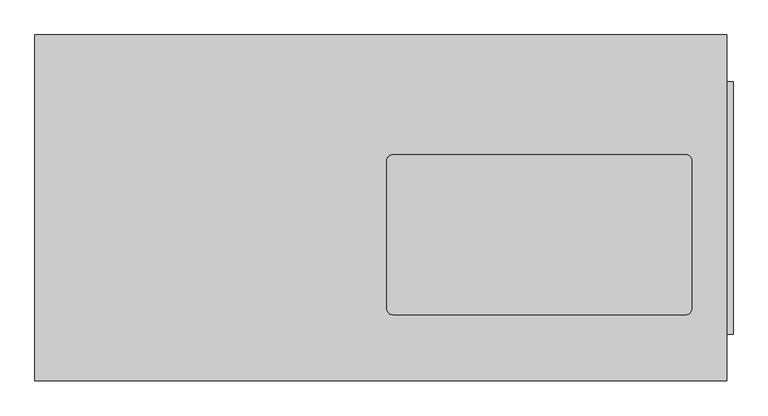
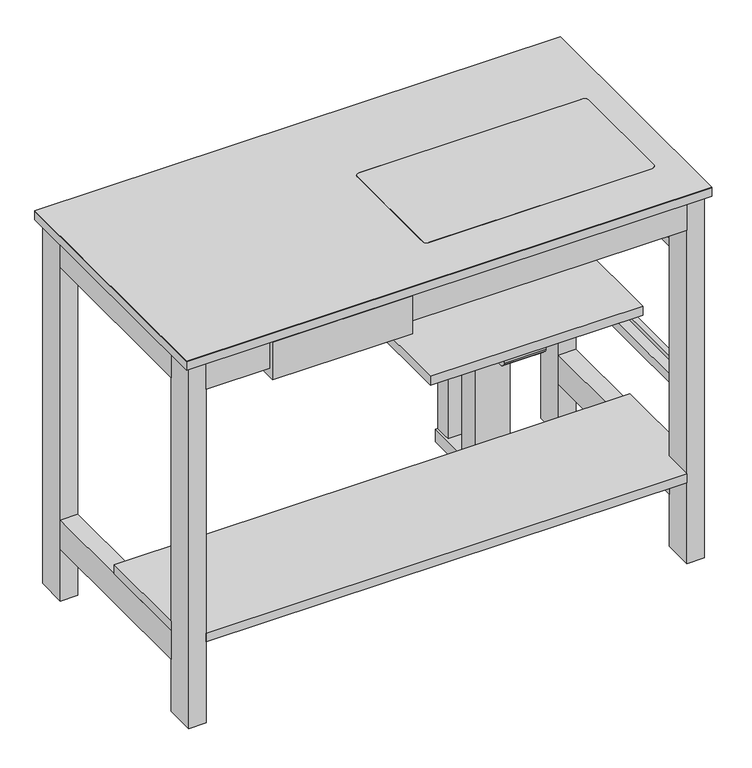
"""IFC4 building model written with IfcOpenShell, lengths in millimetres: furniture geometry."""

import ifcopenshell
import ifcopenshell.guid

model = None  # the IFC model being written
_history = None  # IfcOwnerHistory: only IFC2X3 demands one
_inside = {}  # id of a spatial element -> (the spatial element, [elements in it])
_under = {}  # id of a project, library or spatial element -> (it, [spatial elements below it])
_declared = {}  # id of a project -> (the project, [libraries it declares])
_typed = {}  # id of a type object -> (the type object, [elements of that type])
_made_of = {}  # id of a material, layer set ... -> (it, [elements and type objects made of it])


def new_model(schema):
    """Start an empty IFC model of exactly this schema.

    Asked for "IFC4X3", IfcOpenShell would pick the latest addendum, in which some entities
    have other attributes; the version numbers below select the first issue.
    IFC2X3 requires an IfcOwnerHistory on every rooted entity: one is made here for all.
    """
    global model, _history
    if schema == "IFC4X3":
        model = ifcopenshell.file(schema_version=(4, 3, 0, 0))
    else:
        model = ifcopenshell.file(schema=schema)
    _inside.clear()
    _under.clear()
    _declared.clear()
    _typed.clear()
    _made_of.clear()
    _history = None
    if model.schema == "IFC2X3":
        org = make("IfcOrganization", Name="unknown")
        user = make(
            "IfcPersonAndOrganization",
            ThePerson=make("IfcPerson", FamilyName="unknown"),
            TheOrganization=org,
        )
        app = make(
            "IfcApplication",
            ApplicationDeveloper=org,
            Version="unknown",
            ApplicationFullName="unknown",
            ApplicationIdentifier="unknown",
        )
        _history = make(
            "IfcOwnerHistory",
            OwningUser=user,
            OwningApplication=app,
            ChangeAction="ADDED",
            CreationDate=0,
        )
    return model


def make(cls, **values):
    """One entity of the class cls with the attributes given. An attribute that is None is left unset."""
    return model.create_entity(
        cls, **{name: value for name, value in values.items() if value is not None}
    )


def rooted(cls, **values):
    """An entity with a GlobalId (a new one), such as an element, a storey or a relation."""
    return make(cls, GlobalId=ifcopenshell.guid.new(), OwnerHistory=_history, **values)


def si_unit(unit_type, name, prefix=None):
    """IfcSIUnit, for example si_unit("LENGTHUNIT", "METRE", prefix="MILLI")."""
    return make("IfcSIUnit", UnitType=unit_type, Prefix=prefix, Name=name)


def assignment(units):
    """IfcUnitAssignment: the units of a project."""
    return None if units is None else make("IfcUnitAssignment", Units=units)


def point(xyz):
    """IfcCartesianPoint."""
    return None if xyz is None else make("IfcCartesianPoint", Coordinates=xyz)


def direction(xyz):
    """IfcDirection."""
    return None if xyz is None else make("IfcDirection", DirectionRatios=xyz)


def frame(location, z_axis=None, x_axis=None):
    """IfcAxis2Placement3D, a coordinate frame: its origin and axes. An axis left out is left unset."""
    return make(
        "IfcAxis2Placement3D",
        Location=point(location),
        Axis=direction(z_axis),
        RefDirection=direction(x_axis),
    )


def frame_2d(location, x_axis=None):
    """IfcAxis2Placement2D, a coordinate frame in the plane: its origin and x axis."""
    return make(
        "IfcAxis2Placement2D", Location=point(location), RefDirection=direction(x_axis)
    )


def origin():
    """The frame at (0, 0, 0) with its axes left unset."""
    return frame((0.0, 0.0, 0.0))


def origin_with_axes():
    """The frame at (0, 0, 0) with the z axis (0, 0, 1) and the x axis (1, 0, 0) written out."""
    return frame((0.0, 0.0, 0.0), z_axis=(0.0, 0.0, 1.0), x_axis=(1.0, 0.0, 0.0))


def place(relative_to, where):
    """IfcLocalPlacement: puts the frame where relative to a parent placement (None: the world)."""
    return make(
        "IfcLocalPlacement", PlacementRelTo=relative_to, RelativePlacement=where
    )


def context(
    kind, dimensions, precision=None, world=None, true_north=None, identifier=None
):
    """IfcGeometricRepresentationContext, for example the 3D "Model" context."""
    return make(
        "IfcGeometricRepresentationContext",
        ContextIdentifier=identifier,
        ContextType=kind,
        CoordinateSpaceDimension=dimensions,
        Precision=precision,
        WorldCoordinateSystem=world,
        TrueNorth=true_north,
    )


def project(units=None, contexts=None):
    """IfcProject with its units and contexts."""
    return rooted(
        "IfcProject",
        Name="project",
        RepresentationContexts=contexts,
        UnitsInContext=assignment(units),
    )


def spatial(cls, under=None, at=None, **own):
    """A site, building, storey or space (cls), placed at a placement, below another one or the project."""
    s = rooted(cls, ObjectPlacement=at, **own)
    if under is not None:
        _under.setdefault(under.id(), (under, []))[1].append(s)
    return s


def polyline(points):
    """IfcPolyline through the points."""
    return make("IfcPolyline", Points=[point(p) for p in points])


def circle_curve(where, radius):
    """IfcCircle in the frame where."""
    return make("IfcCircle", Position=where, Radius=radius)


def ellipse_curve(where, semi_axis1, semi_axis2):
    """IfcEllipse in the frame where."""
    return make(
        "IfcEllipse", Position=where, SemiAxis1=semi_axis1, SemiAxis2=semi_axis2
    )


def trimmed(basis, trim1, trim2, sense, master):
    """IfcTrimmedCurve: the piece of a basis curve between two trims."""
    return make(
        "IfcTrimmedCurve",
        BasisCurve=basis,
        Trim1=trim1,
        Trim2=trim2,
        SenseAgreement=sense,
        MasterRepresentation=master,
    )


def segment(curve, same_sense, transition):
    """IfcCompositeCurveSegment."""
    return make(
        "IfcCompositeCurveSegment",
        Transition=transition,
        SameSense=same_sense,
        ParentCurve=curve,
    )


def composite_curve(segments, self_intersect=None):
    """IfcCompositeCurve: segments joined end to end."""
    return make("IfcCompositeCurve", Segments=segments, SelfIntersect=self_intersect)


def outline(outer, holes=None, kind="AREA"):
    """IfcArbitraryClosedProfileDef: a profile drawn as a closed curve; with holes, ...WithVoids."""
    if holes is None:
        return make("IfcArbitraryClosedProfileDef", ProfileType=kind, OuterCurve=outer)
    return make(
        "IfcArbitraryProfileDefWithVoids",
        ProfileType=kind,
        OuterCurve=outer,
        InnerCurves=holes,
    )


def extrude(swept, where, along, depth):
    """IfcExtrudedAreaSolid: the profile swept, set in the frame where, extruded along a direction by depth."""
    return make(
        "IfcExtrudedAreaSolid",
        SweptArea=swept,
        Position=where,
        ExtrudedDirection=direction(along),
        Depth=depth,
    )


def shape(context_of_items, identifier, shape_type, items):
    """IfcShapeRepresentation: the items that make up one representation, for example the "Body"."""
    return make(
        "IfcShapeRepresentation",
        ContextOfItems=context_of_items,
        RepresentationIdentifier=identifier,
        RepresentationType=shape_type,
        Items=items,
    )


def source(mapping_origin, context_of_items, identifier, shape_type, items):
    """IfcRepresentationMap: a shape defined once, which mapped items show again and again."""
    return make(
        "IfcRepresentationMap",
        MappingOrigin=mapping_origin,
        MappedRepresentation=shape(context_of_items, identifier, shape_type, items),
    )


def transform(
    local_origin,
    x_axis=None,
    y_axis=None,
    z_axis=None,
    scale=None,
    scale2=None,
    scale3=None,
    uniform=True,
):
    """IfcCartesianTransformationOperator3D, or its non-uniform kind. x_axis, y_axis, z_axis: its Axis1, 2, 3."""
    if uniform:
        return make(
            "IfcCartesianTransformationOperator3D",
            Axis1=direction(x_axis),
            Axis2=direction(y_axis),
            LocalOrigin=point(local_origin),
            Scale=scale,
            Axis3=direction(z_axis),
        )
    return make(
        "IfcCartesianTransformationOperator3DnonUniform",
        Axis1=direction(x_axis),
        Axis2=direction(y_axis),
        LocalOrigin=point(local_origin),
        Scale=scale,
        Axis3=direction(z_axis),
        Scale2=scale2,
        Scale3=scale3,
    )


def mapped(mapping_source, mapping_target):
    """IfcMappedItem: shows the shape of a source again, moved by a transform."""
    return make(
        "IfcMappedItem", MappingSource=mapping_source, MappingTarget=mapping_target
    )


def made_of(thing, what):
    """Note that an element or type object is made of a material, layer set ...; save() writes the relation."""
    if what is not None:
        _made_of.setdefault(what.id(), (what, []))[1].append(thing)
    return thing


def element(
    cls,
    number,
    at=None,
    inside=None,
    cuts=None,
    type_object=None,
    material=None,
    context=None,
    identifier="Body",
    shape_type=None,
    held_by="IfcProductDefinitionShape",
    body=None,
    shapes=None,
    **own,
):
    """One element of the class cls, such as IfcWall. Its Tag is "e" and its number.

    at: its placement. inside: the storey or other place that contains it. cuts: it is an
    opening in that element (IfcRelVoidsElement). A single representation is given by context,
    identifier, shape_type and body (its items); several are given by shapes. held_by: the class
    of the entity that holds the representations. save() writes the other relations.
    """
    e = rooted(cls, Tag="e%d" % number, ObjectPlacement=at, **own)
    if body is not None:
        shapes = [shape(context, identifier, shape_type, body)]
    if shapes is not None:
        e.Representation = make(held_by, Representations=shapes)
    if inside is not None:
        _inside.setdefault(inside.id(), (inside, []))[1].append(e)
    if cuts is not None:
        rooted(
            "IfcRelVoidsElement", RelatingBuildingElement=cuts, RelatedOpeningElement=e
        )
    if type_object is not None:
        _typed.setdefault(type_object.id(), (type_object, []))[1].append(e)
    return made_of(e, material)


def aggregate(whole, parts):
    """IfcRelAggregates: a whole, such as a stair, and the parts it consists of."""
    return rooted("IfcRelAggregates", RelatingObject=whole, RelatedObjects=parts)


def save(model, path):
    """Write the relations noted so far, then the file.

    IfcRelAggregates (storeys below a building ...), IfcRelContainedInSpatialStructure (elements
    in a storey), IfcRelDefinesByType, IfcRelAssociatesMaterial and IfcRelDeclares: one each for
    every whole, place, type object, material and project.
    """
    for whole, parts in _under.values():
        aggregate(whole, parts)
    for where, things in _inside.values():
        rooted(
            "IfcRelContainedInSpatialStructure",
            RelatedElements=things,
            RelatingStructure=where,
        )
    for kind, things in _typed.values():
        rooted("IfcRelDefinesByType", RelatedObjects=things, RelatingType=kind)
    for what, things in _made_of.values():
        rooted("IfcRelAssociatesMaterial", RelatedObjects=things, RelatingMaterial=what)
    for by, libraries in _declared.values():
        rooted("IfcRelDeclares", RelatingContext=by, RelatedDefinitions=libraries)
    model.write(path)


def plane_surface(at):
    """IfcPlane: the flat surface through the origin of the frame at, square to its z axis."""
    return make("IfcPlane", Position=at)


def cylinder_surface(at, radius):
    """IfcCylindricalSurface: all points at the distance radius from the z axis of the frame at."""
    return make("IfcCylindricalSurface", Position=at, Radius=radius)


def revolved_surface(curve, axis_point, axis_direction):
    """IfcSurfaceOfRevolution: the curve turned about the line through axis_point along axis_direction."""
    return make(
        "IfcSurfaceOfRevolution",
        SweptCurve=make("IfcArbitraryOpenProfileDef", ProfileType="CURVE", Curve=curve),
        AxisPosition=make("IfcAxis1Placement", Location=point(axis_point), Axis=direction(axis_direction)),
    )


def advanced_brep(points, edges, surfaces, faces):
    """IfcAdvancedBrep: a solid bounded by faces that lie on surfaces and meet in shared edges.

    An edge is (start, end): straight between two places in points (the first is 0);
    or (start, end, curve); or (start, end, curve, False) where it runs against its curve.
    A face is (place in surfaces, loops), or (place, loops, False) where it looks against
    its surface's normal. A loop lists edges by number (the first is 1), with a minus sign
    where the edge is run from its end to its start. The first loop is the outer one.
    """
    corners = [point(p) for p in points]
    vertices = [make("IfcVertexPoint", VertexGeometry=c) for c in corners]
    made = []
    for start, end, *more in edges:
        made.append(
            make(
                "IfcEdgeCurve",
                EdgeStart=vertices[start],
                EdgeEnd=vertices[end],
                EdgeGeometry=more[0] if more else make("IfcPolyline", Points=[corners[start], corners[end]]),
                SameSense=more[1] if len(more) > 1 else True,
            )
        )
    hull = []
    for where, loops, *sense in faces:
        bounds = []
        for j, loop in enumerate(loops):
            ring = [make("IfcOrientedEdge", EdgeElement=made[abs(k) - 1], Orientation=k > 0) for k in loop]
            bounds.append(
                make(
                    "IfcFaceOuterBound" if j == 0 else "IfcFaceBound",
                    Bound=make("IfcEdgeLoop", EdgeList=ring),
                    Orientation=True,
                )
            )
        hull.append(make("IfcAdvancedFace", Bounds=bounds, FaceSurface=surfaces[where], SameSense=sense[0] if sense else True))
    return make("IfcAdvancedBrep", Outer=make("IfcClosedShell", CfsFaces=hull))


def furniture_29c875fc(model_context):
    return source(origin(), model_context, "Body", "SolidModel", [
        extrude(outline(composite_curve([segment(polyline([(20.5, 92.0), (529.5, 92.0)]), True, "CONTINUOUS"), segment(trimmed(circle_curve(frame_2d((529.5, 82.0)), 10.0), [point((529.5, 92.0))], [point((539.5, 82.0))], False, "CARTESIAN"), True, "CONTINUOUS"), segment(polyline([(539.5, 82.0), (539.5, -175.0)]), True, "CONTINUOUS"), segment(trimmed(circle_curve(frame_2d((529.5, -175.0)), 10.0), [point((539.5, -175.0))], [point((529.5, -185.0))], False, "CARTESIAN"), True, "CONTINUOUS"), segment(polyline([(529.5, -185.0), (20.5, -185.0)]), True, "CONTINUOUS"), segment(trimmed(circle_curve(frame_2d((20.5, -175.0)), 10.0), [point((20.5, -185.0))], [point((10.5, -175.0))], False, "CARTESIAN"), True, "CONTINUOUS"), segment(polyline([(10.5, -175.0), (10.5, 82.0)]), True, "CONTINUOUS"), segment(trimmed(circle_curve(frame_2d((20.5, 82.0)), 10.0), [point((10.5, 82.0))], [point((20.5, 92.0))], False, "CARTESIAN"), True, "CONTINUOUS")], self_intersect=False)), frame((0.0, 0.0, 896.0), z_axis=(0.0, 0.0, 1.0), x_axis=(1.0, 0.0, 0.0)), (0.0, 0.0, 1.0), 1.0),
        extrude(outline(polyline([(600.0, -300.0), (-600.0, -300.0), (-600.0, 300.0), (600.0, 300.0), (600.0, -300.0)]), holes=[composite_curve([segment(polyline([(529.5, 92.0), (20.5, 92.0)]), True, "CONTINUOUS"), segment(trimmed(circle_curve(frame_2d((20.5, 82.0)), 10.0), [point((20.5, 92.0))], [point((10.5, 82.0))], True, "CARTESIAN"), True, "CONTINUOUS"), segment(polyline([(10.5, 82.0), (10.5, -175.0)]), True, "CONTINUOUS"), segment(trimmed(circle_curve(frame_2d((20.5, -175.0)), 10.0), [point((10.5, -175.0))], [point((20.5, -185.0))], True, "CARTESIAN"), True, "CONTINUOUS"), segment(polyline([(20.5, -185.0), (529.5, -185.0)]), True, "CONTINUOUS"), segment(trimmed(circle_curve(frame_2d((529.5, -175.0)), 10.0), [point((529.5, -185.0))], [point((539.5, -175.0))], True, "CARTESIAN"), True, "CONTINUOUS"), segment(polyline([(539.5, -175.0), (539.5, 82.0)]), True, "CONTINUOUS"), segment(trimmed(circle_curve(frame_2d((529.5, 82.0)), 10.0), [point((539.5, 82.0))], [point((529.5, 92.0))], True, "CARTESIAN"), True, "CONTINUOUS")], self_intersect=False)]), frame((0.0, 0.0, 896.0), z_axis=(0.0, 0.0, 1.0), x_axis=(1.0, 0.0, 0.0)), (0.0, 0.0, 1.0), 1.0),
        extrude(outline(composite_curve([segment(trimmed(circle_curve(frame_2d((529.5, 82.0)), 10.0), [point((529.5, 92.0))], [point((539.5, 82.0))], False, "CARTESIAN"), True, "CONTINUOUS"), segment(polyline([(539.5, 82.0), (539.5, -175.0)]), True, "CONTINUOUS"), segment(trimmed(circle_curve(frame_2d((529.5, -175.0)), 10.0), [point((539.5, -175.0))], [point((529.5, -185.0))], False, "CARTESIAN"), True, "CONTINUOUS"), segment(polyline([(529.5, -185.0), (20.5, -185.0)]), True, "CONTINUOUS"), segment(trimmed(circle_curve(frame_2d((20.5, -175.0)), 10.0), [point((20.5, -185.0))], [point((10.5, -175.0))], False, "CARTESIAN"), True, "CONTINUOUS"), segment(polyline([(10.5, -175.0), (10.5, 82.0)]), True, "CONTINUOUS"), segment(trimmed(circle_curve(frame_2d((20.5, 82.0)), 10.0), [point((10.5, 82.0))], [point((20.5, 92.0))], False, "CARTESIAN"), True, "CONTINUOUS"), segment(polyline([(20.5, 92.0), (529.5, 92.0)]), True, "CONTINUOUS")], self_intersect=False)), frame((0.0, 0.0, 805.0), z_axis=(0.0, 0.0, 1.0), x_axis=(1.0, 0.0, 0.0)), (0.0, 0.0, 1.0), 91.0),
        advanced_brep(
        [(326.5, 68.0, 502.4901317), (326.5, 73.4901317, 497.0), (326.5, 155.0061088, 497.0), (326.5, 155.0061088, 505.0), (326.5, 73.0, 505.0), (326.5, 73.0, 535.0), (326.5, 68.0, 535.0), (231.5, 68.0, 502.4901317), (231.5, 68.0, 535.0), (231.5, 73.0, 535.0), (231.5, 73.0, 505.0), (231.5, 155.0061088, 505.0), (231.5, 155.0061088, 497.0), (231.5, 73.4901317, 497.0), (244.0, 155.0061088, 497.0), (244.0, 128.0, 497.0), (314.0, 128.0, 497.0), (314.0, 155.0061088, 497.0), (314.0, 155.0061088, 505.0), (314.0, 128.0, 505.0), (244.0, 128.0, 505.0), (244.0, 155.0061088, 505.0)],
        [
            (0, 1, circle_curve(frame((326.5, 73.4901317, 502.4901317), z_axis=(1.0, 0.0, 0.0), x_axis=(0.0, 1.0, 0.0)), 5.4901317)),
            (1, 2),
            (2, 3, circle_curve(frame((326.5, 155.0061088, 501.0), z_axis=(1.0, 0.0, 0.0), x_axis=(0.0, 1.0, 0.0)), 4.0)),
            (3, 4),
            (4, 5),
            (5, 6),
            (6, 0),
            (7, 8),
            (8, 9),
            (9, 10),
            (10, 11),
            (11, 12, circle_curve(frame((231.5, 155.0061088, 501.0), z_axis=(-1.0, 0.0, 0.0), x_axis=(0.0, 1.0, 0.0)), 4.0)),
            (12, 13),
            (13, 7, circle_curve(frame((231.5, 73.4901317, 502.4901317), z_axis=(-1.0, 0.0, 0.0), x_axis=(0.0, 1.0, 0.0)), 5.4901317)),
            (1, 13),
            (12, 14),
            (14, 15),
            (15, 16),
            (16, 17),
            (17, 2),
            (3, 18),
            (18, 19),
            (19, 20),
            (20, 21),
            (21, 11),
            (10, 4),
            (9, 5),
            (8, 6),
            (7, 0),
            (17, 18, circle_curve(frame((314.0, 155.0061088, 501.0), z_axis=(1.0, 0.0, 0.0), x_axis=(0.0, 1.0, 0.0)), 4.0)),
            (21, 14, circle_curve(frame((244.0, 155.0061088, 501.0), z_axis=(-1.0, 0.0, 0.0), x_axis=(0.0, 1.0, 0.0)), 4.0)),
            (16, 19),
            (20, 15),
        ],
        [
            plane_surface(frame((326.5, 78.9802634, 502.4901317), z_axis=(1.0, 0.0, 0.0), x_axis=(0.0, 0.0, 1.0))),
            plane_surface(frame((231.5, 78.9802634, 502.4901317), z_axis=(-1.0, 0.0, 0.0), x_axis=(0.0, 0.0, -1.0))),
            plane_surface(frame((326.5, 73.4901317, 497.0), z_axis=(0.0, 0.0, -1.0), x_axis=(-1.0, 0.0, 0.0))),
            plane_surface(frame((326.5, 155.0061088, 505.0), z_axis=(0.0, 0.0, 1.0), x_axis=(-1.0, 0.0, 0.0))),
            plane_surface(frame((326.5, 73.0, 505.0), z_axis=(0.0, 1.0, 0.0), x_axis=(-1.0, 0.0, 0.0))),
            plane_surface(frame((326.5, 73.0, 535.0), z_axis=(0.0, 0.0, 1.0), x_axis=(-1.0, 0.0, 0.0))),
            plane_surface(frame((326.5, 68.0, 535.0), z_axis=(0.0, -1.0, 0.0), x_axis=(-1.0, 0.0, 0.0))),
            cylinder_surface(frame((231.5, 73.4901317, 502.4901317), z_axis=(1.0, 0.0, 0.0), x_axis=(0.0, 1.0, 0.0)), 5.4901317),
            cylinder_surface(frame((231.5, 155.0061088, 501.0), z_axis=(1.0, 0.0, 0.0), x_axis=(0.0, 1.0, 0.0)), 4.0),
            plane_surface(frame((314.0, 128.0, 529.0), z_axis=(-1.0, 0.0, 0.0), x_axis=(0.0, 0.0, -1.0))),
            plane_surface(frame((244.0, 178.0, 529.0), z_axis=(1.0, 0.0, 0.0), x_axis=(0.0, 0.0, -1.0))),
            plane_surface(frame((244.0, 128.0, 529.0), z_axis=(0.0, 1.0, 0.0), x_axis=(0.0, 0.0, -1.0))),
        ],
        [
            (0, [[1, 2, 3, 4, 5, 6, 7]]),
            (1, [[8, 9, 10, 11, 12, 13, 14]]),
            (2, [[-2, 15, -13, 16, 17, 18, 19, 20]]),
            (3, [[-4, 21, 22, 23, 24, 25, -11, 26]]),
            (4, [[-5, -26, -10, 27]]),
            (5, [[-6, -27, -9, 28]]),
            (6, [[-7, -28, -8, 29]]),
            (7, [[-1, -29, -14, -15]]),
            (8, [[-3, -20, 30, -21]]),
            (8, [[-12, -25, 31, -16]]),
            (9, [[32, -22, -30, -19]]),
            (10, [[33, -17, -31, -24]]),
            (11, [[-32, -18, -33, -23]]),
        ],
    ),
        advanced_brep(
        [(326.5, -153.0, 535.0), (326.5, -153.0, 538.0934474), (326.5, 62.0, 538.0934474), (326.5, 62.0, 508.0), (326.5, -126.0, 508.0), (356.5, 62.0, 538.0934474), (356.5, -153.0, 538.0934474), (356.5, -153.0, 535.0), (356.5, 62.0, 535.0), (329.5, -126.0, 508.0), (329.5, -149.9553894, 531.9553894), (332.5446106, -153.0, 535.0), (329.5, 62.0, 508.0), (332.5446106, 62.0, 535.0), (329.5, 62.0, 531.9553894)],
        [
            (0, 1),
            (1, 2),
            (2, 3),
            (3, 4),
            (4, 0),
            (5, 6),
            (6, 7),
            (7, 8),
            (8, 5),
            (4, 9),
            (9, 10),
            (10, 11, ellipse_curve(frame((332.5446106, -149.9553894, 531.9553894), z_axis=(0.0, 0.7071067811865492, 0.7071067811865458), x_axis=(0.0, -0.7071067811865458, 0.7071067811865492)), 4.3057295, 3.0446106)),
            (11, 0),
            (3, 12),
            (12, 9),
            (2, 5),
            (8, 13),
            (13, 14, circle_curve(frame((332.5446106, 62.0, 531.9553894), z_axis=(0.0, -1.0, 0.0), x_axis=(1.0, 0.0, 0.0)), 3.0446106)),
            (14, 12),
            (1, 6),
            (11, 7),
            (14, 10),
            (11, 13),
        ],
        [
            plane_surface(frame((326.5, -153.0, 538.0934474), z_axis=(-1.0, 0.0, 0.0), x_axis=(0.0, 0.0, 1.0))),
            plane_surface(frame((356.5, -153.0, 538.0934474), z_axis=(1.0, 0.0, 0.0), x_axis=(0.0, 0.0, -1.0))),
            plane_surface(frame((326.5, -126.0, 508.0), z_axis=(0.0, -0.7071067811865492, -0.7071067811865458), x_axis=(1.0, 0.0, 0.0))),
            plane_surface(frame((326.5, 62.0, 508.0), z_axis=(0.0, 0.0, -1.0), x_axis=(1.0, 0.0, 0.0))),
            plane_surface(frame((326.5, 62.0, 538.0934474), z_axis=(0.0, 1.0, 0.0), x_axis=(1.0, 0.0, 0.0))),
            plane_surface(frame((326.5, -153.0, 538.0934474), z_axis=(0.0, 0.0, 1.0), x_axis=(1.0, 0.0, 0.0))),
            plane_surface(frame((326.5, -153.0, 535.0), z_axis=(0.0, -1.0, 0.0), x_axis=(1.0, 0.0, 0.0))),
            plane_surface(frame((329.5, -169.0, 531.9553894), z_axis=(1.0, 0.0, 0.0), x_axis=(0.0, 1.0, 0.0))),
            plane_surface(frame((364.2704822, -169.0, 535.0), z_axis=(0.0, 0.0, -1.0), x_axis=(0.0, 1.0, 0.0))),
            revolved_surface(polyline([(335.5892212, -153.0, 531.9553894), (335.5892212, 62.0, 531.9553894)]), (332.5446106, 0.0, 531.9553894), (0.0, -1.0, 0.0)),
        ],
        [
            (0, [[1, 2, 3, 4, 5]]),
            (1, [[6, 7, 8, 9]]),
            (2, [[-5, 10, 11, 12, 13]]),
            (3, [[-4, 14, 15, -10]]),
            (4, [[-3, 16, -9, 17, 18, 19, -14]]),
            (5, [[-2, 20, -6, -16]]),
            (6, [[-1, -13, 21, -7, -20]]),
            (7, [[22, -11, -15, -19]]),
            (8, [[23, -17, -8, -21]]),
            (9, [[-22, -18, -23, -12]]),
        ],
    ),
        advanced_brep(
        [(231.5, -153.0, 535.0), (231.5, -126.0, 508.0), (231.5, 62.0, 508.0), (231.5, 62.0, 538.0934474), (231.5, -153.0, 538.0934474), (201.5, -153.0, 535.0), (201.5, -153.0, 538.0934474), (201.5, 62.0, 538.0934474), (201.5, 62.0, 535.0), (225.4553894, -153.0, 535.0), (228.5, -149.9553894, 531.9553894), (228.5, -126.0, 508.0), (228.5, 62.0, 508.0), (228.5, 62.0, 531.9553894), (225.4553894, 62.0, 535.0)],
        [
            (0, 1),
            (1, 2),
            (2, 3),
            (3, 4),
            (4, 0),
            (5, 6),
            (6, 7),
            (7, 8),
            (8, 5),
            (0, 9),
            (9, 10, ellipse_curve(frame((225.4553894, -149.9553894, 531.9553894), z_axis=(0.0, 0.7071067811865492, 0.7071067811865458), x_axis=(0.0, -0.7071067811865458, 0.7071067811865492)), 4.3057295, 3.0446106)),
            (10, 11),
            (11, 1),
            (11, 12),
            (12, 2),
            (12, 13),
            (13, 14, circle_curve(frame((225.4553894, 62.0, 531.9553894), z_axis=(0.0, -1.0, 0.0), x_axis=(1.0, 0.0, 0.0)), 3.0446106)),
            (14, 8),
            (7, 3),
            (6, 4),
            (5, 9),
            (13, 10),
            (9, 14),
        ],
        [
            plane_surface(frame((231.5, -153.0, 535.0), z_axis=(1.0, 0.0, 0.0), x_axis=(0.0, 0.7071067811865458, -0.7071067811865492))),
            plane_surface(frame((201.5, -153.0, 535.0), z_axis=(-1.0, 0.0, 0.0), x_axis=(0.0, -0.7071067811865458, 0.7071067811865492))),
            plane_surface(frame((231.5, -153.0, 535.0), z_axis=(0.0, -0.7071067811865492, -0.7071067811865458), x_axis=(-1.0, 0.0, 0.0))),
            plane_surface(frame((231.5, -126.0, 508.0), z_axis=(0.0, 0.0, -1.0), x_axis=(-1.0, 0.0, 0.0))),
            plane_surface(frame((231.5, 62.0, 508.0), z_axis=(0.0, 1.0, 0.0), x_axis=(-1.0, 0.0, 0.0))),
            plane_surface(frame((231.5, 62.0, 538.0934474), z_axis=(0.0, 0.0, 1.0), x_axis=(-1.0, 0.0, 0.0))),
            plane_surface(frame((231.5, -153.0, 538.0934474), z_axis=(0.0, -1.0, 0.0), x_axis=(-1.0, 0.0, 0.0))),
            revolved_surface(polyline([(228.5, -153.0, 531.9553894), (228.5, 62.0, 531.9553894)]), (225.4553894, 103.0, 531.9553894), (0.0, -1.0, 0.0)),
            plane_surface(frame((225.4553894, -169.0, 535.0), z_axis=(0.0, 0.0, -1.0), x_axis=(0.0, 1.0, 0.0))),
            plane_surface(frame((228.5, -169.0, 500.3364459), z_axis=(-1.0, 0.0, 0.0), x_axis=(0.0, 1.0, 0.0))),
        ],
        [
            (0, [[1, 2, 3, 4, 5]]),
            (1, [[6, 7, 8, 9]]),
            (2, [[-1, 10, 11, 12, 13]]),
            (3, [[-2, -13, 14, 15]]),
            (4, [[-3, -15, 16, 17, 18, -8, 19]]),
            (5, [[-4, -19, -7, 20]]),
            (6, [[-5, -20, -6, 21, -10]]),
            (7, [[22, -11, 23, -17]]),
            (8, [[-23, -21, -9, -18]]),
            (9, [[-22, -16, -14, -12]]),
        ],
    ),
        advanced_brep(
        [(324.0, 64.0, 421.5697992), (324.0, 64.0, 428.4454513), (324.0, 64.0, 425.0076252), (324.0, 13.0, 421.5697992), (324.0, 13.0, 428.4454513), (324.0, 13.0, 425.0076252)],
        [
            (0, 1, circle_curve(frame((324.0, 64.0, 425.0076252), z_axis=(0.0, 1.0, 0.0), x_axis=(0.0, 0.0, 1.0)), 3.4378261)),
            (1, 2),
            (2, 0),
            (1, 0, circle_curve(frame((324.0, 64.0, 425.0076252), z_axis=(0.0, 1.0, 0.0), x_axis=(0.0, 0.0, 1.0)), 3.4378261)),
            (3, 4, circle_curve(frame((324.0, 13.0, 425.0076252), z_axis=(0.0, 1.0, 0.0), x_axis=(0.0, 0.0, 1.0)), 3.4378261)),
            (4, 1),
            (0, 3),
            (4, 3, circle_curve(frame((324.0, 13.0, 425.0076252), z_axis=(0.0, 1.0, 0.0), x_axis=(0.0, 0.0, 1.0)), 3.4378261)),
            (5, 4),
            (3, 5),
        ],
        [
            plane_surface(frame((324.0, 64.0, 425.0076252), z_axis=(0.0, 1.0, 0.0), x_axis=(0.0, 0.0, 1.0))),
            cylinder_surface(frame((324.0, 16.8962204, 425.0076252), z_axis=(0.0, -1.0, 0.0), x_axis=(0.0, 0.0, 1.0)), 3.4378261),
            plane_surface(frame((324.0, 13.0, 425.0076252), z_axis=(0.0, -1.0, 0.0), x_axis=(0.0, 0.0, 1.0))),
        ],
        [
            (0, [[1, 2, 3]]),
            (0, [[4, -3, -2]]),
            (1, [[5, 6, -1, 7]]),
            (1, [[8, -7, -4, -6]]),
            (2, [[9, -5, 10]]),
            (2, [[-10, -8, -9]]),
        ],
    ),
        advanced_brep(
        [(234.0, 64.0, 421.5697992), (234.0, 64.0, 428.4454513), (234.0, 64.0, 425.0076252), (234.0, 13.0, 421.5697992), (234.0, 13.0, 428.4454513), (234.0, 13.0, 425.0076252)],
        [
            (0, 1, circle_curve(frame((234.0, 64.0, 425.0076252), z_axis=(0.0, 1.0, 0.0), x_axis=(0.0, 0.0, 1.0)), 3.4378261)),
            (1, 2),
            (2, 0),
            (1, 0, circle_curve(frame((234.0, 64.0, 425.0076252), z_axis=(0.0, 1.0, 0.0), x_axis=(0.0, 0.0, 1.0)), 3.4378261)),
            (3, 4, circle_curve(frame((234.0, 13.0, 425.0076252), z_axis=(0.0, 1.0, 0.0), x_axis=(0.0, 0.0, 1.0)), 3.4378261)),
            (4, 1),
            (0, 3),
            (4, 3, circle_curve(frame((234.0, 13.0, 425.0076252), z_axis=(0.0, 1.0, 0.0), x_axis=(0.0, 0.0, 1.0)), 3.4378261)),
            (5, 4),
            (3, 5),
        ],
        [
            plane_surface(frame((234.0, 64.0, 425.0076252), z_axis=(0.0, 1.0, 0.0), x_axis=(0.0, 0.0, 1.0))),
            cylinder_surface(frame((234.0, 16.8962204, 425.0076252), z_axis=(0.0, -1.0, 0.0), x_axis=(0.0, 0.0, 1.0)), 3.4378261),
            plane_surface(frame((234.0, 13.0, 425.0076252), z_axis=(0.0, -1.0, 0.0), x_axis=(0.0, 0.0, 1.0))),
        ],
        [
            (0, [[1, 2, 3]]),
            (0, [[4, -3, -2]]),
            (1, [[5, 6, -1, 7]]),
            (1, [[8, -7, -4, -6]]),
            (2, [[9, -5, 10]]),
            (2, [[-10, -8, -9]]),
        ],
    ),
        advanced_brep(
        [(324.0348787, 6.6464466, 417.3496785), (324.0348787, 6.6464466, 432.5), (324.0348787, 6.6464466, 424.9248393), (324.0348787, 4.9702804, 417.3496785), (324.0348787, 4.9702804, 432.5), (324.0348787, 4.3767214, 417.9432375), (324.0348787, 4.3767214, 431.9064411), (324.0348787, 4.3767214, 424.9248393)],
        [
            (0, 1, circle_curve(frame((324.0348787, 6.6464466, 424.9248393), z_axis=(0.0, 1.0, 0.0), x_axis=(0.0, 0.0, 1.0)), 7.5751607)),
            (1, 2),
            (2, 0),
            (1, 0, circle_curve(frame((324.0348787, 6.6464466, 424.9248393), z_axis=(0.0, 1.0, 0.0), x_axis=(0.0, 0.0, 1.0)), 7.5751607)),
            (3, 4, circle_curve(frame((324.0348787, 4.9702804, 424.9248393), z_axis=(0.0, 1.0, 0.0), x_axis=(0.0, 0.0, 1.0)), 7.5751607)),
            (4, 1),
            (0, 3),
            (4, 3, circle_curve(frame((324.0348787, 4.9702804, 424.9248393), z_axis=(0.0, 1.0, 0.0), x_axis=(0.0, 0.0, 1.0)), 7.5751607)),
            (5, 6, circle_curve(frame((324.0348787, 4.3767214, 424.9248393), z_axis=(0.0, 1.0, 0.0), x_axis=(0.0, 0.0, 1.0)), 6.9816018)),
            (6, 4, circle_curve(frame((324.0348787, 4.9702804, 431.9064411), z_axis=(-1.0, 0.0, 0.0), x_axis=(0.0, 1.0, 0.0)), 0.5935589)),
            (3, 5, circle_curve(frame((324.0348787, 4.9702804, 417.9432375), z_axis=(-1.0, 0.0, 0.0), x_axis=(0.0, 1.0, 0.0)), 0.5935589)),
            (6, 5, circle_curve(frame((324.0348787, 4.3767214, 424.9248393), z_axis=(0.0, 1.0, 0.0), x_axis=(0.0, 0.0, 1.0)), 6.9816018)),
            (7, 6),
            (5, 7),
        ],
        [
            plane_surface(frame((324.0348787, 6.6464466, 424.9248393), z_axis=(0.0, 1.0, 0.0), x_axis=(0.0, 0.0, 1.0))),
            cylinder_surface(frame((324.0348787, 6.2755695, 424.9248393), z_axis=(0.0, -1.0, 0.0), x_axis=(0.0, 0.0, 1.0)), 7.5751607),
            revolved_surface(trimmed(ellipse_curve(frame((324.0348787, 4.9702804, 431.9064411), z_axis=(1.0, 0.0, 0.0), x_axis=(0.0, 1.0, 0.0)), 0.5935589, 0.5935589), [point((324.0348787, 4.9702804, 432.5))], [point((324.0348787, 4.3767214, 431.9064411))], True, "CARTESIAN"), (324.0348787, 6.2755695, 424.9248393), (0.0, -1.0, 0.0)),
            plane_surface(frame((324.0348787, 4.3767214, 424.9248393), z_axis=(0.0, -1.0, 0.0), x_axis=(0.0, 0.0, 1.0))),
        ],
        [
            (0, [[1, 2, 3]]),
            (0, [[4, -3, -2]]),
            (1, [[5, 6, -1, 7]]),
            (1, [[8, -7, -4, -6]]),
            (2, [[9, 10, -5, 11]]),
            (2, [[12, -11, -8, -10]]),
            (3, [[13, -9, 14]]),
            (3, [[-14, -12, -13]]),
        ],
    ),
        advanced_brep(
        [(234.0348787, 6.6464466, 417.3496785), (234.0348787, 6.6464466, 432.5), (234.0348787, 6.6464466, 424.9248393), (234.0348787, 4.9702804, 417.3496785), (234.0348787, 4.9702804, 432.5), (234.0348787, 4.3767214, 417.9432375), (234.0348787, 4.3767214, 431.9064411), (234.0348787, 4.3767214, 424.9248393)],
        [
            (0, 1, circle_curve(frame((234.0348787, 6.6464466, 424.9248393), z_axis=(0.0, 1.0, 0.0), x_axis=(0.0, 0.0, 1.0)), 7.5751607)),
            (1, 2),
            (2, 0),
            (1, 0, circle_curve(frame((234.0348787, 6.6464466, 424.9248393), z_axis=(0.0, 1.0, 0.0), x_axis=(0.0, 0.0, 1.0)), 7.5751607)),
            (3, 4, circle_curve(frame((234.0348787, 4.9702804, 424.9248393), z_axis=(0.0, 1.0, 0.0), x_axis=(0.0, 0.0, 1.0)), 7.5751607)),
            (4, 1),
            (0, 3),
            (4, 3, circle_curve(frame((234.0348787, 4.9702804, 424.9248393), z_axis=(0.0, 1.0, 0.0), x_axis=(0.0, 0.0, 1.0)), 7.5751607)),
            (5, 6, circle_curve(frame((234.0348787, 4.3767214, 424.9248393), z_axis=(0.0, 1.0, 0.0), x_axis=(0.0, 0.0, 1.0)), 6.9816018)),
            (6, 4, circle_curve(frame((234.0348787, 4.9702804, 431.9064411), z_axis=(-1.0, 0.0, 0.0), x_axis=(0.0, 1.0, 0.0)), 0.5935589)),
            (3, 5, circle_curve(frame((234.0348787, 4.9702804, 417.9432375), z_axis=(-1.0, 0.0, 0.0), x_axis=(0.0, 1.0, 0.0)), 0.5935589)),
            (6, 5, circle_curve(frame((234.0348787, 4.3767214, 424.9248393), z_axis=(0.0, 1.0, 0.0), x_axis=(0.0, 0.0, 1.0)), 6.9816018)),
            (7, 6),
            (5, 7),
        ],
        [
            plane_surface(frame((234.0348787, 6.6464466, 424.9248393), z_axis=(0.0, 1.0, 0.0), x_axis=(0.0, 0.0, 1.0))),
            cylinder_surface(frame((234.0348787, 6.2755695, 424.9248393), z_axis=(0.0, -1.0, 0.0), x_axis=(0.0, 0.0, 1.0)), 7.5751607),
            revolved_surface(trimmed(ellipse_curve(frame((234.0348787, 4.9702804, 431.9064411), z_axis=(1.0, 0.0, 0.0), x_axis=(0.0, 1.0, 0.0)), 0.5935589, 0.5935589), [point((234.0348787, 4.9702804, 432.5))], [point((234.0348787, 4.3767214, 431.9064411))], True, "CARTESIAN"), (234.0348787, 6.2755695, 424.9248393), (0.0, -1.0, 0.0)),
            plane_surface(frame((234.0348787, 4.3767214, 424.9248393), z_axis=(0.0, -1.0, 0.0), x_axis=(0.0, 0.0, 1.0))),
        ],
        [
            (0, [[1, 2, 3]]),
            (0, [[4, -3, -2]]),
            (1, [[5, 6, -1, 7]]),
            (1, [[8, -7, -4, -6]]),
            (2, [[9, 10, -5, 11]]),
            (2, [[12, -11, -8, -10]]),
            (3, [[13, -9, 14]]),
            (3, [[-14, -12, -13]]),
        ],
    ),
        extrude(outline(polyline([(334.0, 13.0), (334.0, 6.6464466), (224.0, 6.6464466), (224.0, 13.0), (334.0, 13.0)])), frame((0.0, 0.0, 416.5152504), z_axis=(0.0, 0.0, 1.0), x_axis=(1.0, 0.0, 0.0)), (0.0, 0.0, 1.0), 16.9847496),
        advanced_brep(
        [(-549.0, 289.0, 805.0), (549.0, 289.0, 805.0), (549.0, 219.0, 805.0), (589.0, 219.0, 805.0), (589.0, -219.0, 805.0), (549.0, -219.0, 805.0), (549.0, -289.0, 805.0), (-84.0, -289.0, 805.0), (-84.0, -149.9668201, 805.0), (-404.0, -149.9668201, 805.0), (-404.0, -289.0, 805.0), (-549.0, -289.0, 805.0), (-549.0, -219.0, 805.0), (-589.0, -219.0, 805.0), (-589.0, 219.0, 805.0), (-549.0, 219.0, 805.0), (529.5, 92.0, 805.0), (20.5, 92.0, 805.0), (10.5, 82.0, 805.0), (10.5, -175.0, 805.0), (20.5, -185.0, 805.0), (529.5, -185.0, 805.0), (539.5, -175.0, 805.0), (539.5, 82.0, 805.0), (-549.0, 219.0, 875.0), (-549.0, 289.0, 875.0), (-549.0, -289.0, 875.0), (-404.0, -289.0, 875.0), (549.0, -289.0, 875.0), (-84.0, -289.0, 875.0), (549.0, -219.0, 875.0), (549.0, 289.0, 875.0), (-84.0, -300.0, 875.0), (-404.0, -300.0, 875.0), (-404.0, -300.0, 783.5), (-84.0, -300.0, 783.5), (-84.0, -149.9668201, 783.5), (-404.0, -149.9668201, 783.5), (-589.0, 219.0, 875.0), (-589.0, -219.0, 875.0), (-549.0, -219.0, 875.0), (589.0, -219.0, 875.0), (589.0, 219.0, 875.0), (549.0, 219.0, 875.0), (20.5, 92.0, 875.0), (529.5, 92.0, 875.0), (539.5, 82.0, 875.0), (539.5, -175.0, 875.0), (529.5, -185.0, 875.0), (20.5, -185.0, 875.0), (10.5, -175.0, 875.0), (10.5, 82.0, 875.0)],
        [
            (0, 1),
            (1, 2),
            (2, 3),
            (3, 4),
            (4, 5),
            (5, 6),
            (6, 7),
            (7, 8),
            (8, 9),
            (9, 10),
            (10, 11),
            (11, 12),
            (12, 13),
            (13, 14),
            (14, 15),
            (15, 0),
            (16, 17),
            (17, 18, circle_curve(frame((20.5, 82.0, 805.0), z_axis=(0.0, 0.0, 1.0), x_axis=(1.0, 0.0, 0.0)), 10.0)),
            (18, 19),
            (19, 20, circle_curve(frame((20.5, -175.0, 805.0), z_axis=(0.0, 0.0, 1.0), x_axis=(1.0, 0.0, 0.0)), 10.0)),
            (20, 21),
            (21, 22, circle_curve(frame((529.5, -175.0, 805.0), z_axis=(0.0, 0.0, 1.0), x_axis=(1.0, 0.0, 0.0)), 10.0)),
            (22, 23),
            (23, 16, circle_curve(frame((529.5, 82.0, 805.0), z_axis=(0.0, 0.0, 1.0), x_axis=(1.0, 0.0, 0.0)), 10.0)),
            (24, 25),
            (25, 0),
            (15, 24),
            (26, 11),
            (10, 27),
            (27, 26),
            (6, 28),
            (28, 29),
            (29, 7),
            (30, 28),
            (5, 30),
            (25, 31),
            (31, 1),
            (32, 33),
            (33, 34),
            (34, 35),
            (35, 32),
            (36, 37),
            (37, 9),
            (8, 36),
            (33, 27),
            (37, 34),
            (36, 35),
            (29, 32),
            (24, 38),
            (38, 39),
            (39, 40),
            (40, 26),
            (30, 41),
            (41, 42),
            (42, 43),
            (43, 31),
            (44, 45),
            (45, 46, circle_curve(frame((529.5, 82.0, 875.0), z_axis=(0.0, 0.0, -1.0), x_axis=(1.0, 0.0, 0.0)), 10.0)),
            (46, 47),
            (47, 48, circle_curve(frame((529.5, -175.0, 875.0), z_axis=(0.0, 0.0, -1.0), x_axis=(1.0, 0.0, 0.0)), 10.0)),
            (48, 49),
            (49, 50, circle_curve(frame((20.5, -175.0, 875.0), z_axis=(0.0, 0.0, -1.0), x_axis=(1.0, 0.0, 0.0)), 10.0)),
            (50, 51),
            (51, 44, circle_curve(frame((20.5, 82.0, 875.0), z_axis=(0.0, 0.0, -1.0), x_axis=(1.0, 0.0, 0.0)), 10.0)),
            (14, 38),
            (13, 39),
            (12, 40),
            (4, 41),
            (3, 42),
            (2, 43),
            (16, 45),
            (44, 17),
            (51, 18),
            (50, 19),
            (49, 20),
            (48, 21),
            (47, 22),
            (46, 23),
        ],
        [
            plane_surface(frame((-549.0, 279.2070277, 805.0), z_axis=(0.0, 0.0, -1.0), x_axis=(0.0, 1.0, 0.0))),
            plane_surface(frame((-549.0, 289.0, 875.0), z_axis=(-1.0, 0.0, 0.0), x_axis=(0.0, 0.0, -1.0))),
            plane_surface(frame((-549.0, -289.0, 875.0), z_axis=(0.0, -1.0, 0.0), x_axis=(0.0, 0.0, -1.0))),
            plane_surface(frame((549.0, -289.0, 875.0), z_axis=(1.0, 0.0, 0.0), x_axis=(0.0, 0.0, -1.0))),
            plane_surface(frame((549.0, 289.0, 875.0), z_axis=(0.0, 1.0, 0.0), x_axis=(0.0, 0.0, -1.0))),
            plane_surface(frame((-499.5105786, -300.0, 875.0), z_axis=(0.0, -1.0, 0.0), x_axis=(-1.0, 0.0, 0.0))),
            plane_surface(frame((-499.5105786, -149.9668201, 875.0), z_axis=(0.0, 1.0, 0.0), x_axis=(1.0, 0.0, 0.0))),
            plane_surface(frame((-404.0, -300.0, 875.0), z_axis=(-1.0, 0.0, 0.0), x_axis=(0.0, 1.0, 0.0))),
            plane_surface(frame((-404.0, -300.0, 783.5), z_axis=(0.0, 0.0, -1.0), x_axis=(0.0, 1.0, 0.0))),
            plane_surface(frame((-84.0, -300.0, 783.5), z_axis=(1.0, 0.0, 0.0), x_axis=(0.0, 1.0, 0.0))),
            plane_surface(frame((-549.0, 279.2070277, 875.0), z_axis=(0.0, 0.0, 1.0), x_axis=(0.0, -1.0, 0.0))),
            plane_surface(frame((-549.0, 219.0, 875.0), z_axis=(0.0, 1.0, 0.0), x_axis=(0.0, 0.0, -1.0))),
            plane_surface(frame((-589.0, 219.0, 875.0), z_axis=(-1.0, 0.0, 0.0), x_axis=(0.0, 0.0, -1.0))),
            plane_surface(frame((-589.0, -219.0, 875.0), z_axis=(0.0, -1.0, 0.0), x_axis=(0.0, 0.0, -1.0))),
            plane_surface(frame((-549.0, -219.0, 875.0), z_axis=(-1.0, 0.0, 0.0), x_axis=(0.0, 0.0, -1.0))),
            plane_surface(frame((549.0, -219.0, 875.0), z_axis=(0.0, -1.0, 0.0), x_axis=(0.0, 0.0, -1.0))),
            plane_surface(frame((589.0, -219.0, 875.0), z_axis=(1.0, 0.0, 0.0), x_axis=(0.0, 0.0, -1.0))),
            plane_surface(frame((589.0, 219.0, 875.0), z_axis=(0.0, 1.0, 0.0), x_axis=(0.0, 0.0, -1.0))),
            plane_surface(frame((549.0, 219.0, 875.0), z_axis=(1.0, 0.0, 0.0), x_axis=(0.0, 0.0, -1.0))),
            plane_surface(frame((529.5, 92.0, 1290.1027831), z_axis=(0.0, -1.0, 0.0), x_axis=(0.0, 0.0, -1.0))),
            revolved_surface(polyline([(30.5, 82.0, 875.0), (30.5, 82.0, 805.0)]), (20.5, 82.0, 678.0), (0.0, 0.0, 1.0)),
            plane_surface(frame((10.5, 82.0, 1290.1027831), z_axis=(1.0, 0.0, 0.0), x_axis=(0.0, 0.0, -1.0))),
            revolved_surface(polyline([(30.5, -175.0, 875.0), (30.5, -175.0, 805.0)]), (20.5, -175.0, 678.0), (0.0, 0.0, 1.0)),
            plane_surface(frame((20.5, -185.0, 1290.1027831), z_axis=(0.0, 1.0, 0.0), x_axis=(0.0, 0.0, -1.0))),
            revolved_surface(polyline([(539.5, -175.0, 875.0), (539.5, -175.0, 805.0)]), (529.5, -175.0, 678.0), (0.0, 0.0, 1.0)),
            plane_surface(frame((539.5, -175.0, 1290.1027831), z_axis=(-1.0, 0.0, 0.0), x_axis=(0.0, 0.0, -1.0))),
            revolved_surface(polyline([(539.5, 82.0, 875.0), (539.5, 82.0, 805.0)]), (529.5, 82.0, 678.0), (0.0, 0.0, 1.0)),
        ],
        [
            (0, [[1, 2, 3, 4, 5, 6, 7, 8, 9, 10, 11, 12, 13, 14, 15, 16], [17, 18, 19, 20, 21, 22, 23, 24]]),
            (1, [[25, 26, -16, 27]]),
            (2, [[28, -11, 29, 30]]),
            (2, [[31, 32, 33, -7]]),
            (3, [[34, -31, -6, 35]]),
            (4, [[36, 37, -1, -26]]),
            (5, [[38, 39, 40, 41]]),
            (6, [[42, 43, -9, 44]]),
            (7, [[-39, 45, -29, -10, -43, 46]]),
            (8, [[-40, -46, -42, 47]]),
            (9, [[-41, -47, -44, -8, -33, 48]]),
            (10, [[-25, 49, 50, 51, 52, -30, -45, -38, -48, -32, -34, 53, 54, 55, 56, -36], [57, 58, 59, 60, 61, 62, 63, 64]]),
            (11, [[-49, -27, -15, 65]]),
            (12, [[-50, -65, -14, 66]]),
            (13, [[-51, -66, -13, 67]]),
            (14, [[-52, -67, -12, -28]]),
            (15, [[-53, -35, -5, 68]]),
            (16, [[-54, -68, -4, 69]]),
            (17, [[-55, -69, -3, 70]]),
            (18, [[-56, -70, -2, -37]]),
            (19, [[71, -57, 72, -17]]),
            (20, [[-72, -64, 73, -18]]),
            (21, [[-73, -63, 74, -19]]),
            (22, [[-74, -62, 75, -20]]),
            (23, [[-75, -61, 76, -21]]),
            (24, [[-76, -60, 77, -22]]),
            (25, [[-77, -59, 78, -23]]),
            (26, [[-71, -24, -78, -58]]),
        ],
    ),
        extrude(outline(polyline([(549.0, 5.984646), (549.0, -62.0460619), (-549.0, -62.0460619), (-549.0, 5.984646), (549.0, 5.984646)])), frame((0.0, 0.0, 125.0), z_axis=(0.0, 0.0, 1.0), x_axis=(1.0, 0.0, 0.0)), (0.0, 0.0, 1.0), 70.3535534),
        extrude(outline(composite_curve([segment(polyline([(66.9988669, 445.0), (125.0, 445.0)]), True, "CONTINUOUS"), segment(trimmed(circle_curve(frame_2d((125.0, 442.0)), 3.0), [point((125.0, 445.0))], [point((128.0, 442.0))], False, "CARTESIAN"), True, "CONTINUOUS"), segment(polyline([(128.0, 442.0), (128.0, 408.0)]), True, "CONTINUOUS"), segment(trimmed(circle_curve(frame_2d((125.0, 408.0)), 3.0), [point((128.0, 408.0))], [point((125.0, 405.0))], False, "CARTESIAN"), True, "CONTINUOUS"), segment(polyline([(125.0, 405.0), (67.0, 405.0)]), True, "CONTINUOUS"), segment(trimmed(circle_curve(frame_2d((67.0, 408.0)), 3.0), [point((67.0, 405.0))], [point((64.0, 408.0))], False, "CARTESIAN"), True, "CONTINUOUS"), segment(polyline([(64.0, 408.0), (64.0, 442.0011331)]), True, "CONTINUOUS"), segment(trimmed(circle_curve(frame_2d((66.9988669, 442.0011331)), 2.9988669), [point((64.0, 442.0011331))], [point((66.9988669, 445.0))], False, "CARTESIAN"), True, "CONTINUOUS")], self_intersect=False)), frame((219.0, 0.0, 0.0), z_axis=(1.0, 0.0, 0.0), x_axis=(0.0, 1.0, 0.0)), (0.0, 0.0, 1.0), 120.0),
        extrude(outline(polyline([(600.0, 300.0), (600.0, -300.0), (-600.0, -300.0), (-600.0, 300.0), (600.0, 300.0)]), holes=[composite_curve([segment(polyline([(529.5, 92.0), (20.5, 92.0)]), True, "CONTINUOUS"), segment(trimmed(circle_curve(frame_2d((20.5, 82.0)), 10.0), [point((20.5, 92.0))], [point((10.5, 82.0))], True, "CARTESIAN"), True, "CONTINUOUS"), segment(polyline([(10.5, 82.0), (10.5, -175.0)]), True, "CONTINUOUS"), segment(trimmed(circle_curve(frame_2d((20.5, -175.0)), 10.0), [point((10.5, -175.0))], [point((20.5, -185.0))], True, "CARTESIAN"), True, "CONTINUOUS"), segment(polyline([(20.5, -185.0), (529.5, -185.0)]), True, "CONTINUOUS"), segment(trimmed(circle_curve(frame_2d((529.5, -175.0)), 10.0), [point((529.5, -185.0))], [point((539.5, -175.0))], True, "CARTESIAN"), True, "CONTINUOUS"), segment(polyline([(539.5, -175.0), (539.5, 82.0)]), True, "CONTINUOUS"), segment(trimmed(circle_curve(frame_2d((529.5, 82.0)), 10.0), [point((539.5, 82.0))], [point((529.5, 92.0))], True, "CARTESIAN"), True, "CONTINUOUS")], self_intersect=False)]), frame((0.0, 0.0, 875.0), z_axis=(0.0, 0.0, 1.0), x_axis=(1.0, 0.0, 0.0)), (0.0, 0.0, 1.0), 21.0),
        extrude(outline(composite_curve([segment(polyline([(-117.0, 490.9203102), (-117.0, 538.0), (62.0, 538.0), (62.0, 536.7459667)]), True, "CONTINUOUS"), segment(trimmed(circle_curve(frame_2d((60.3056157, 529.2404613)), 7.6943843), [point((62.0, 536.7459667))], [point((68.0, 529.2404613))], False, "CARTESIAN"), True, "CONTINUOUS"), segment(polyline([(68.0, 529.2404613), (68.0, 509.0), (68.0, 505.0), (68.0, 500.0207037)]), True, "CONTINUOUS"), segment(trimmed(circle_curve(frame_2d((59.9792963, 500.0207037)), 8.0207037), [point((68.0, 500.0207037))], [point((59.9792963, 492.0))], False, "CARTESIAN"), True, "CONTINUOUS"), segment(polyline([(59.9792963, 492.0), (11.0, 492.0), (11.0, 484.0710678), (7.4644661, 480.5355339), (3.9289322, 477.0), (-103.0796898, 477.0)]), True, "CONTINUOUS"), segment(trimmed(circle_curve(frame_2d((-103.0796898, 485.0)), 8.0), [point((-103.0796898, 477.0))], [point((-108.736544, 479.3431458))], False, "CARTESIAN"), True, "CONTINUOUS"), segment(polyline([(-108.736544, 479.3431458), (-114.6568542, 485.263456)]), True, "CONTINUOUS"), segment(trimmed(circle_curve(frame_2d((-109.0, 490.9203102)), 8.0), [point((-114.6568542, 485.263456))], [point((-117.0, 490.9203102))], False, "CARTESIAN"), True, "CONTINUOUS")], self_intersect=False)), frame((231.5, 0.0, 0.0), z_axis=(1.0, 0.0, 0.0), x_axis=(0.0, 1.0, 0.0)), (0.0, 0.0, 1.0), 95.0),
        extrude(outline(polyline([(517.5, -169.0), (32.5, -169.0), (32.5, 76.0), (517.5, 76.0), (517.5, -169.0)])), frame((0.0, 0.0, 538.0934474), z_axis=(0.0, 0.0, 1.0), x_axis=(1.0, 0.0, 0.0)), (0.0, 0.0, 1.0), 21.5529992),
        extrude(outline(polyline([(319.0, 13.0), (239.0, 13.0), (239.0, 63.0), (319.0, 63.0), (319.0, 13.0)])), frame((0.0, 0.0, 155.1685913), z_axis=(0.0, 0.0, 1.0), x_axis=(1.0, 0.0, 0.0)), (0.0, 0.0, 1.0), 336.8314087),
        extrude(outline(polyline([(319.0, 5.984646), (239.0, 5.984646), (239.0, 168.0), (319.0, 168.0), (319.0, 5.984646)])), frame((0.0, 0.0, 125.0), z_axis=(0.0, 0.0, 1.0), x_axis=(1.0, 0.0, 0.0)), (0.0, 0.0, 1.0), 30.1685913),
        extrude(outline(polyline([(314.0, 168.0), (314.0, 128.0), (244.0, 128.0), (244.0, 168.0), (314.0, 168.0)])), frame((0.0, 0.0, 155.1685913), z_axis=(0.0, 0.0, 1.0), x_axis=(1.0, 0.0, 0.0)), (0.0, 0.0, 1.0), 649.8314087),
        extrude(outline(polyline([(-549.0, -219.0), (-589.0, -219.0), (-589.0, 5.984646), (589.0, 5.984646), (589.0, -219.0), (549.0, -219.0), (549.0, -289.0), (-549.0, -289.0), (-549.0, -219.0)])), frame((0.0, 0.0, 195.3535534), z_axis=(0.0, 0.0, 1.0), x_axis=(1.0, 0.0, 0.0)), (0.0, 0.0, 1.0), 21.6464466),
        extrude(outline(polyline([(678.0, 611.0), (708.0, 611.0), (708.0, 594.0179562), (708.0, 574.0), (688.0, 574.0), (688.0, 599.0), (678.0, 599.0), (678.0, 611.0)])), frame((0.0, -219.0, 0.0), z_axis=(0.0, 1.0, 0.0), x_axis=(0.0, 0.0, 1.0)), (0.0, 0.0, 1.0), 438.0),
        extrude(outline(polyline([(589.0, -219.0), (549.0, -219.0), (549.0, 219.0), (589.0, 219.0), (589.0, -219.0)])), frame((0.0, 0.0, 125.0), z_axis=(0.0, 0.0, 1.0), x_axis=(1.0, 0.0, 0.0)), (0.0, 0.0, 1.0), 70.3535534),
        extrude(outline(polyline([(-549.0, -219.0), (-589.0, -219.0), (-589.0, 219.0), (-549.0, 219.0), (-549.0, -219.0)])), frame((0.0, 0.0, 125.0), z_axis=(0.0, 0.0, 1.0), x_axis=(1.0, 0.0, 0.0)), (0.0, 0.0, 1.0), 70.3535534),
        extrude(outline(polyline([(390.0, 611.0), (390.0, 599.0), (380.0, 599.0), (380.0, 574.0), (360.0, 574.0), (360.0, 594.0179562), (360.0, 611.0), (390.0, 611.0)])), frame((0.0, -219.0, 0.0), z_axis=(0.0, 1.0, 0.0), x_axis=(0.0, 0.0, 1.0)), (0.0, 0.0, 1.0), 438.0),
        extrude(outline(polyline([(549.0, -289.0), (549.0, -219.0), (589.0, -219.0), (589.0, -289.0), (549.0, -289.0)])), origin_with_axes(), (0.0, 0.0, 1.0), 875.0),
        extrude(outline(polyline([(-549.0, 289.0), (-549.0, 219.0), (-589.0, 219.0), (-589.0, 289.0), (-549.0, 289.0)])), origin_with_axes(), (0.0, 0.0, 1.0), 875.0),
        extrude(outline(polyline([(549.0, 289.0), (589.0, 289.0), (589.0, 219.0), (549.0, 219.0), (549.0, 289.0)])), origin_with_axes(), (0.0, 0.0, 1.0), 875.0),
        extrude(outline(polyline([(-549.0, -289.0), (-589.0, -289.0), (-589.0, -219.0), (-549.0, -219.0), (-549.0, -289.0)])), origin_with_axes(), (0.0, 0.0, 1.0), 875.0),
    ])


if __name__ == "__main__":
    model = new_model("IFC4")
    model_context = context("Model", 3, world=origin())
    ifc_project = project(units=[si_unit("LENGTHUNIT", "METRE", prefix="MILLI")], contexts=[model_context])
    site = spatial("IfcSite", under=ifc_project)
    building = spatial("IfcBuilding", under=site)
    placement = place(None, origin())
    furniture_shape = furniture_29c875fc(model_context)
    element("IfcFurniture", 1, at=placement, inside=building, context=model_context, shape_type="MappedRepresentation", body=[
        mapped(furniture_shape, transform((0.0, 0.0, 0.0), x_axis=(1.0, 0.0, 0.0), y_axis=(0.0, 1.0, 0.0), z_axis=(0.0, 0.0, 1.0))),
    ])
    save(model, "model.ifc")
